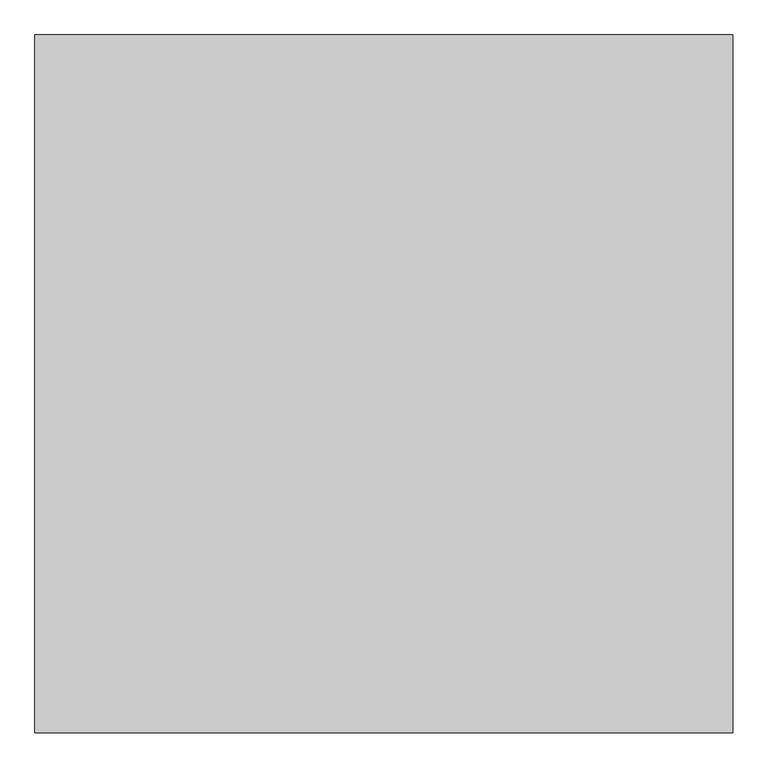
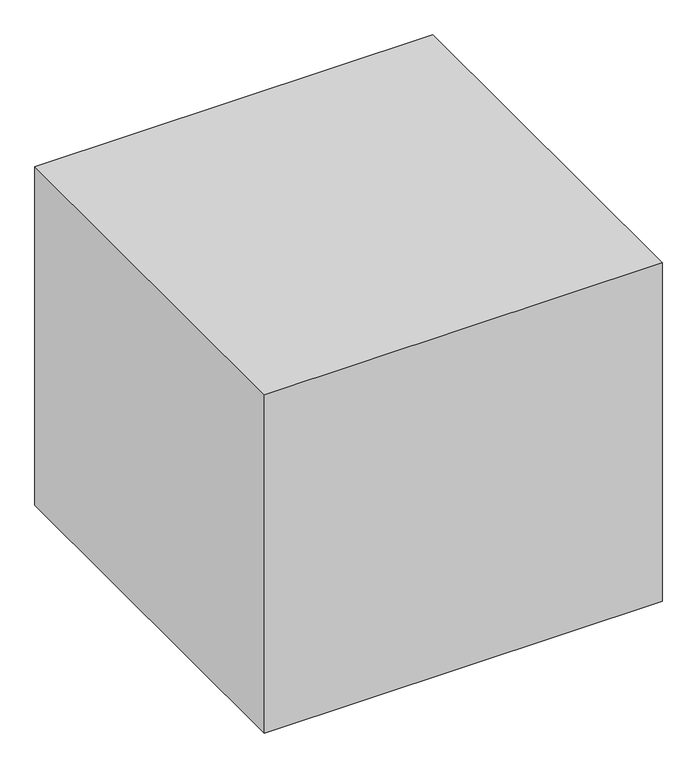
"""IFC4 building model written with IfcOpenShell, lengths in millimetres: proxy geometry."""

from ifc_helpers import new_model, si_unit, origin, origin_with_axes, place, context, project, spatial, polyline, outline, extrude, source, transform, mapped, element, save


def generic_models_6b66b7c1(model_context):
    return source(origin(), model_context, "Body", "SweptSolid", [
        extrude(outline(polyline([(-480.7030535, -40.8346095), (-10480.7030535, -40.8346095), (-10480.7030535, 9959.1653905), (-480.7030535, 9959.1653905), (-480.7030535, -40.8346095)])), origin_with_axes(), (0.0, 0.0, 1.0), 9000.0),
    ])


if __name__ == "__main__":
    model = new_model("IFC4")
    model_context = context("Model", 3, world=origin())
    ifc_project = project(units=[si_unit("LENGTHUNIT", "METRE", prefix="MILLI")], contexts=[model_context])
    site = spatial("IfcSite", under=ifc_project)
    building = spatial("IfcBuilding", under=site)
    placement = place(None, origin())
    generic_models_shape = generic_models_6b66b7c1(model_context)
    element("IfcBuildingElementProxy", 1, Name="Generic Models", at=placement, inside=building, context=model_context, shape_type="MappedRepresentation", body=[
        mapped(generic_models_shape, transform((0.0, 0.0, 0.0), x_axis=(1.0, 0.0, 0.0), y_axis=(0.0, 1.0, 0.0), z_axis=(0.0, 0.0, 1.0))),
    ])
    save(model, "model.ifc")
